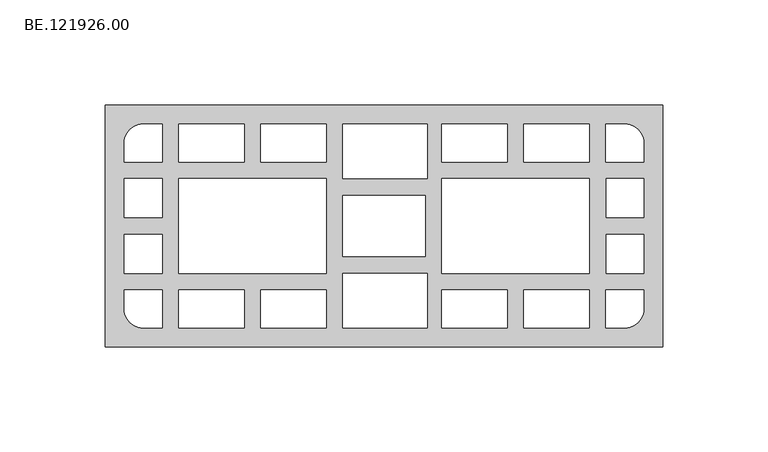
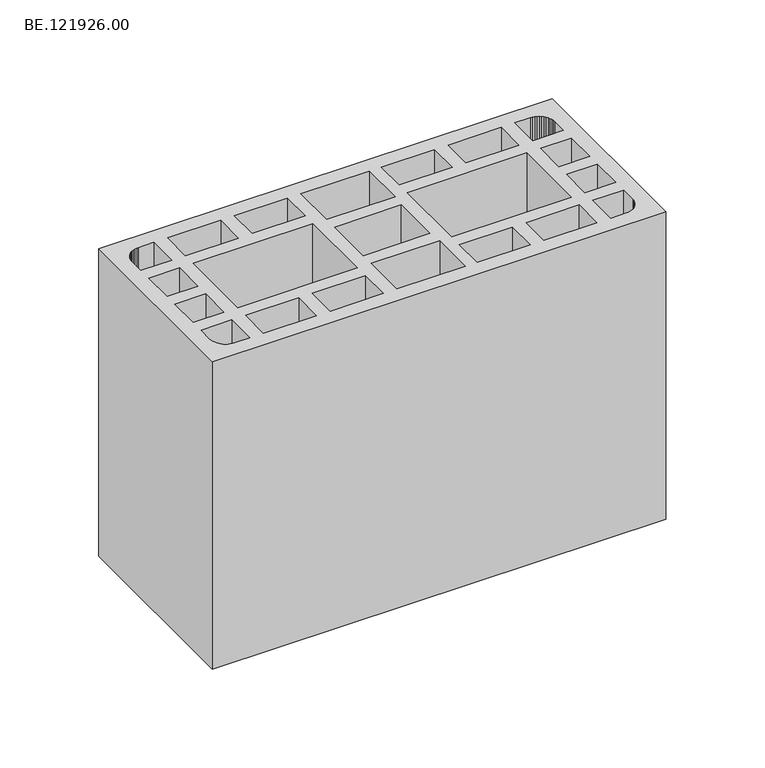
"""IFC4 building model written with IfcOpenShell, lengths in millimetres: proxy geometry, BE.121926.00."""

from ifc_helpers import new_model, si_unit, origin, origin_with_axes, place, context, project, spatial, polyline, outline, extrude, source, transform, mapped, element, save


def be_121926_00_dde5baf6(model_context):
    return source(origin(), model_context, "Body", "SweptSolid", [
        extrude(outline(polyline([(270.0001038, 57.5034668), (270.0001038, -57.5034668), (5.0, -57.5034668), (5.0, 57.5034668), (270.0001038, 57.5034668)]), holes=[polyline([(32.0020996, 22.5009521), (14.0125, 22.5009521), (14.0125, 3.9997559), (32.0020996, 3.9997559), (32.0020996, 22.5009521)]), polyline([(32.0020996, -22.5009521), (32.0020996, -3.9997559), (14.0125, -3.9997559), (14.0125, -22.5009521), (32.0020996, -22.5009521)]), polyline([(14.0041016, 30.5004639), (32.0030029, 30.5004639), (32.0030029, 48.4993652), (23.0082031, 48.4993652), (21.8268799, 48.4249512), (20.6734619, 48.1924072), (19.557251, 47.8203369), (18.5061523, 47.2994385), (17.5294678, 46.6390137), (16.636499, 45.8669678), (15.8644531, 44.9833008), (15.2133301, 43.9973145), (14.6924316, 42.9462158), (14.3110596, 41.8300049), (14.0785156, 40.6765869), (14.0041016, 39.5045654), (14.0041016, 30.5004639)]), polyline([(14.0041016, -30.5004639), (14.0041016, -39.5045654), (14.0785156, -40.6765869), (14.3110596, -41.8300049), (14.6924316, -42.9462158), (15.2133301, -43.9973145), (15.8644531, -44.9833008), (16.636499, -45.8669678), (17.5294678, -46.6390137), (18.5061523, -47.2994385), (19.557251, -47.8203369), (20.6734619, -48.1924072), (21.8268799, -48.4249512), (23.0082031, -48.4993652), (32.0030029, -48.4993652), (32.0030029, -30.5004639), (14.0041016, -30.5004639)]), polyline([(243.0082092, 22.5009521), (243.0082092, 3.9997559), (260.9978088, 3.9997559), (260.9978088, 22.5009521), (243.0082092, 22.5009521)]), polyline([(243.0082092, -22.5009521), (260.9978088, -22.5009521), (260.9978088, -3.9997559), (243.0082092, -3.9997559), (243.0082092, -22.5009521)]), polyline([(261.0062073, 30.5004639), (261.0062073, 39.5045654), (260.9317932, 40.6765869), (260.6992493, 41.8300049), (260.3178772, 42.9462158), (259.7969788, 43.9973145), (259.1458557, 44.9833008), (258.3738098, 45.8669678), (257.4808411, 46.6390137), (256.5041565, 47.2994385), (255.4530579, 47.8203369), (254.3368469, 48.1924072), (253.183429, 48.4249512), (252.0021057, 48.4993652), (243.0073059, 48.4993652), (243.0073059, 30.5004639), (261.0062073, 30.5004639)]), polyline([(261.0062073, -30.5004639), (243.0073059, -30.5004639), (243.0073059, -48.4993652), (252.0021057, -48.4993652), (253.183429, -48.4249512), (254.3368469, -48.1924072), (255.4530579, -47.8203369), (256.5041565, -47.2994385), (257.4808411, -46.6390137), (258.3738098, -45.8669678), (259.1458557, -44.9833008), (259.7969788, -43.9973145), (260.3178772, -42.9462158), (260.6992493, -41.8300049), (260.9317932, -40.6765869), (261.0062073, -39.5045654), (261.0062073, -30.5004639)]), polyline([(78.9998654, -30.503952), (78.9998654, -48.5040161), (110.0002987, -48.5040161), (110.0002987, -30.503952), (78.9998654, -30.503952)]), polyline([(78.9998654, 30.4969757), (110.0002987, 30.4969757), (110.0002987, 48.4970398), (78.9998654, 48.4970398), (78.9998654, 30.4969757)]), polyline([(110.0002987, 22.4963013), (39.9999203, 22.4963013), (39.9999203, -22.5032776), (110.0002987, -22.5032776), (110.0002987, 22.4963013)]), polyline([(71.0003537, -48.5040161), (71.0003537, -30.503952), (39.9999203, -30.503952), (39.9999203, -48.5040161), (71.0003537, -48.5040161)]), polyline([(39.9999203, 30.4969757), (71.0003537, 30.4969757), (71.0003537, 48.4970398), (39.9999203, 48.4970398), (39.9999203, 30.4969757)]), polyline([(118.0000793, 48.4970398), (118.0000793, 22.4963013), (157.9999634, 22.4963013), (157.9999634, 48.4970398), (118.0000793, 48.4970398)]), polyline([(157.0002689, 14.4967896), (118.0000793, 14.4967896), (118.0000793, -14.5037659), (157.0002689, -14.5037659), (157.0002689, 14.4967896)]), polyline([(118.0000793, -22.5032776), (118.0000793, -48.5028534), (157.9999634, -48.5028534), (157.9999634, -22.5032776), (118.0000793, -22.5032776)]), polyline([(195.9999695, -48.5028534), (195.9999695, -30.503952), (164.9995361, -30.503952), (164.9995361, -48.5028534), (195.9999695, -48.5028534)]), polyline([(234.9999146, -30.503952), (203.9994812, -30.503952), (203.9994812, -48.5028534), (234.9999146, -48.5028534), (234.9999146, -30.503952)]), polyline([(164.9995361, -22.5032776), (234.9999146, -22.5032776), (234.9999146, 22.4963013), (164.9995361, 22.4963013), (164.9995361, -22.5032776)]), polyline([(203.9994812, 30.4969757), (234.9999146, 30.4969757), (234.9999146, 48.4970398), (203.9994812, 48.4970398), (203.9994812, 30.4969757)]), polyline([(164.9995361, 30.4969757), (195.9999695, 30.4969757), (195.9999695, 48.4970398), (164.9995361, 48.4970398), (164.9995361, 30.4969757)])]), origin_with_axes(), (0.0, 0.0, 1.0), 190.0),
    ])


if __name__ == "__main__":
    model = new_model("IFC4")
    model_context = context("Model", 3, world=origin())
    ifc_project = project(units=[si_unit("LENGTHUNIT", "METRE", prefix="MILLI")], contexts=[model_context])
    site = spatial("IfcSite", under=ifc_project)
    building = spatial("IfcBuilding", under=site)
    placement = place(None, origin())
    be_121926_00_shape = be_121926_00_dde5baf6(model_context)
    element("IfcBuildingElementProxy", 1, Name="BE.121926.00", ObjectType="BE.121926.00", at=placement, inside=building, context=model_context, shape_type="MappedRepresentation", body=[
        mapped(be_121926_00_shape, transform((0.0, 0.0, 0.0), x_axis=(1.0, 0.0, 0.0), y_axis=(0.0, 1.0, 0.0), z_axis=(0.0, 0.0, 1.0))),
    ])
    save(model, "model.ifc")
